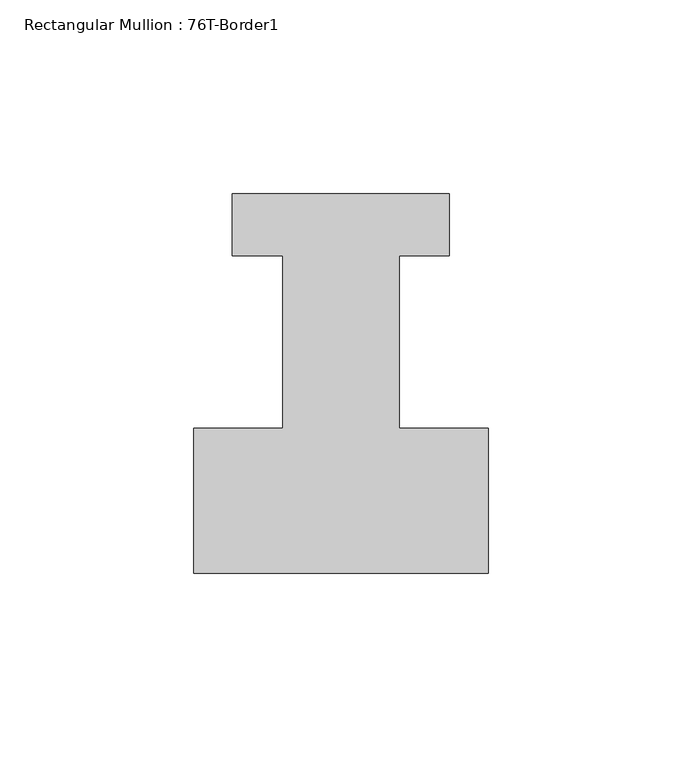
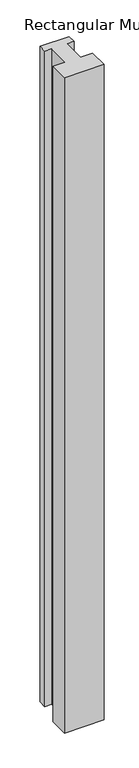
"""IFC4 building model written with IfcOpenShell, lengths in millimetres: member geometry, Rectangular Mullion : 76T-Border1."""

from ifc_helpers import new_model, si_unit, frame, origin, place, context, project, spatial, polyline, outline, extrude, source, transform, mapped, element, save


def rectangular_mullion_76t_border1_8b56a6a1(model_context):
    return source(origin(), model_context, "Body", "SweptSolid", [
        extrude(outline(polyline([(-76.0, -38.0), (-76.0, -0.5), (-53.0, -0.5), (-53.0, 44.0), (-66.0, 44.0), (-66.0, 60.0), (-10.0, 60.0), (-10.0, 44.0), (-23.0, 44.0), (-23.0, -0.5), (0.0, -0.5), (0.0, -38.0), (-76.0, -38.0)])), frame((0.0, 0.0, -1324.0), z_axis=(0.0, 0.0, 1.0), x_axis=(1.0, 0.0, 0.0)), (0.0, 0.0, 1.0), 1324.0),
    ])


if __name__ == "__main__":
    model = new_model("IFC4")
    model_context = context("Model", 3, world=origin())
    ifc_project = project(units=[si_unit("LENGTHUNIT", "METRE", prefix="MILLI")], contexts=[model_context])
    site = spatial("IfcSite", under=ifc_project)
    building = spatial("IfcBuilding", under=site)
    placement = place(None, origin())
    rectangular_mullion_76t_border1_shape = rectangular_mullion_76t_border1_8b56a6a1(model_context)
    element("IfcMember", 1, ObjectType="Rectangular Mullion : 76T-Border1", at=placement, inside=building, context=model_context, shape_type="MappedRepresentation", body=[
        mapped(rectangular_mullion_76t_border1_shape, transform((0.0, 0.0, 0.0), x_axis=(1.0, 0.0, 0.0), y_axis=(0.0, 1.0, 0.0), z_axis=(0.0, 0.0, 1.0))),
    ])
    save(model, "model.ifc")
